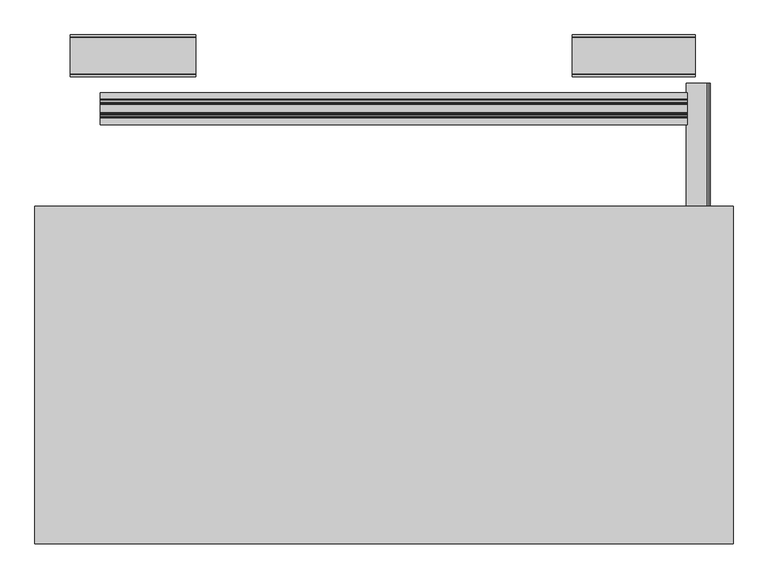
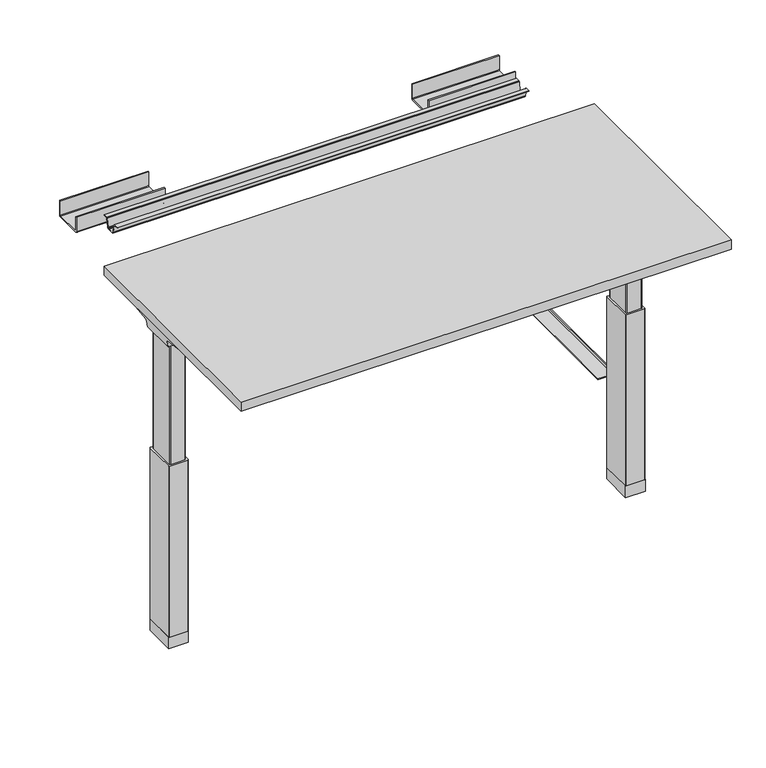
"""IFC4 building model written with IfcOpenShell, lengths in millimetres: furniture geometry."""

from ifc_helpers import new_model, si_unit, point, frame, frame_2d, origin, place, context, project, spatial, polyline, circle_curve, ellipse_curve, trimmed, segment, composite_curve, outline, extrude, source, transform, mapped, element, save
from ifc_brep_helpers import plane_surface, cylinder_surface, revolved_surface, advanced_brep


def furniture_25aa1a4e(model_context):
    return source(origin(), model_context, "Body", "SolidModel", [
        extrude(outline(composite_curve([segment(trimmed(circle_curve(frame_2d((335.5834916, 692.5019564)), 3.1749345), [point((335.5835451, 695.6768908))], [point((332.4090868, 692.443965))], True, "CARTESIAN"), True, "CONTINUOUS"), segment(polyline([(332.4090868, 692.443965), (332.4090868, 647.4824058), (329.7517063, 647.4824058), (329.7517063, 692.5017915)]), True, "CONTINUOUS"), segment(trimmed(circle_curve(frame_2d((335.5835451, 692.5017915)), 5.8318388), [point((329.7517063, 692.5017915))], [point((335.5835451, 698.3336303))], False, "CARTESIAN"), True, "CONTINUOUS"), segment(polyline([(335.5835451, 698.3336303), (335.5835451, 695.6768908)]), True, "CONTINUOUS")], self_intersect=False)), frame((0.0, 170.9160479, 0.0), z_axis=(0.0, 1.0, 0.0), x_axis=(0.0, 0.0, 1.0)), (0.0, 0.0, 1.0), 456.2850092),
        extrude(outline(polyline([(747.776, 364.3376128), (747.776, -358.8003872), (-747.776, -358.8003872), (-747.776, 364.3376128), (747.776, 364.3376128)])), frame((0.0, 0.0, 1037.209), z_axis=(0.0, 0.0, 1.0), x_axis=(1.0, 0.0, 0.0)), (0.0, 0.0, 1.0), 29.591),
        advanced_brep(
        [(-731.4406297, 162.7292702, 988.7915733), (-672.2713552, 162.7292702, 988.7915733), (-672.2713552, 160.5008169, 986.1442785), (-728.9518591, 160.5008169, 986.1442785), (-731.6625278, 162.738256, 989.0276054), (-734.0619089, 163.3822827, 1005.9443054), (-672.2713552, 163.3822827, 1005.9443054), (-734.9185362, 168.8493181, 1011.9839076), (-672.2713552, 168.8493181, 1011.9839076), (-737.4393767, 283.4205225, 1029.7569507), (-672.2713552, 283.4205225, 1029.7569507), (-737.5128152, 287.1965275, 1030.2747243), (-672.2713552, 287.1965275, 1030.2747243), (-738.1871296, 288.7067839, 1035.0289399), (-736.4021288, 286.1298888, 1037.209), (-672.2713552, 286.1298888, 1037.209), (-737.5128152, -68.7565275, 1030.2747243), (-672.2713552, -68.7565275, 1030.2747243), (-672.2713552, -67.6898888, 1037.209), (-736.4021288, -67.6898888, 1037.209), (-738.1871296, -70.2667839, 1035.0289399), (-737.4393767, -64.9805225, 1029.7569507), (-672.2713552, -64.9805225, 1029.7569507), (-734.9185362, 49.5906819, 1011.9839076), (-672.2713552, 49.5906819, 1011.9839076), (-734.0619089, 55.0577173, 1005.9443054), (-672.2713552, 55.0577173, 1005.9443054), (-731.6625278, 55.701744, 989.0276054), (-731.4406297, 55.7107298, 988.7915733), (-672.2713552, 55.7107298, 988.7915733), (-728.9518591, 57.9391831, 986.1442785), (-672.2713552, 57.9391831, 986.1442785)],
        [
            (0, 1),
            (1, 2),
            (2, 3),
            (3, 0),
            (0, 4),
            (4, 5),
            (5, 6),
            (6, 1),
            (5, 7, ellipse_curve(frame((-734.0119691, 169.8408409, 1005.5922075), z_axis=(-0.9900906714849615, 0.0, -0.1404295632637872), x_axis=(-0.1404295632637865, 0.0, 0.9900906714849615)), 6.5328852, 6.4681487)),
            (7, 8),
            (8, 6, circle_curve(frame((-672.2713552, 169.8408409, 1005.5922075), z_axis=(1.0, 0.0, 0.0), x_axis=(0.0, 1.0, 0.0)), 6.4681487)),
            (7, 9),
            (9, 10),
            (10, 8),
            (9, 11),
            (11, 12),
            (12, 10),
            (11, 13, ellipse_curve(frame((-737.9730772, 285.2194111, 1033.5197755), z_axis=(0.9900906714849615, 0.0, 0.1404295632637872), x_axis=(0.1404295632637865, 0.0, -0.9900906714849615)), 3.8379455, 3.7999141)),
            (13, 14, ellipse_curve(frame((-739.422811, 285.2194111, 1033.5197755), z_axis=(0.7737284588431889, 0.0, -0.6335173809582053), x_axis=(0.6335173809582053, 0.0, 0.7737284588431887)), 4.9111727, 3.7999141)),
            (14, 15),
            (15, 12, circle_curve(frame((-672.2713552, 285.2194111, 1033.5197755), z_axis=(-1.0, 0.0, 0.0), x_axis=(0.0, 1.0, 0.0)), 3.7999141)),
            (16, 17),
            (17, 18, circle_curve(frame((-672.2713552, -66.7794111, 1033.5197755), z_axis=(-1.0, 0.0, 0.0), x_axis=(0.0, 1.0, 0.0)), 3.7999141)),
            (18, 19),
            (19, 20, ellipse_curve(frame((-739.422811, -66.7794111, 1033.5197755), z_axis=(0.7737284588431889, 0.0, -0.6335173809582053), x_axis=(0.6335173809582053, 0.0, 0.7737284588431887)), 4.9111727, 3.7999141)),
            (20, 16, ellipse_curve(frame((-737.9730772, -66.7794111, 1033.5197755), z_axis=(0.9900906714849615, 0.0, 0.1404295632637872), x_axis=(0.1404295632637865, 0.0, -0.9900906714849615)), 3.8379455, 3.7999141)),
            (16, 21),
            (21, 22),
            (22, 17),
            (21, 23),
            (23, 24),
            (24, 22),
            (23, 25, ellipse_curve(frame((-734.0119691, 48.5991591, 1005.5922075), z_axis=(-0.9900906714849615, 0.0, -0.1404295632637872), x_axis=(-0.1404295632637865, 0.0, 0.9900906714849615)), 6.5328852, 6.4681487)),
            (25, 26),
            (26, 24, circle_curve(frame((-672.2713552, 48.5991591, 1005.5922075), z_axis=(1.0, 0.0, 0.0), x_axis=(0.0, 1.0, 0.0)), 6.4681487)),
            (25, 27),
            (27, 28),
            (28, 29),
            (29, 26),
            (28, 30),
            (30, 31),
            (31, 29),
            (4, 27),
            (20, 13),
            (19, 14),
            (18, 15),
            (2, 31),
            (30, 3),
        ],
        [
            plane_surface(frame((-754.4773962, 160.5008169, 986.1442785), z_axis=(0.0, 0.7650318638532662, -0.6439924279750482), x_axis=(1.0, 0.0, 0.0))),
            plane_surface(frame((-754.4773962, 162.7292702, 988.7915733), z_axis=(0.0, 0.999276106683639, -0.03804290487316255), x_axis=(1.0, 0.0, 0.0))),
            revolved_surface(polyline([(-734.9293793154884, 176.3089896, 1005.5922075), (-672.2713552, 176.3089896, 1005.5922075)]), (-754.4773962, 169.8408409, 1005.5922075), (-1.0, 0.0, 0.0)),
            plane_surface(frame((-754.4773962, 168.8493181, 1011.9839076), z_axis=(0.0, 0.153293135871396, -0.9881807600306302), x_axis=(1.0, 0.0, 0.0))),
            plane_surface(frame((-754.4773962, 283.4205225, 1029.7569507), z_axis=(0.0, 0.13585085469026903, -0.9907292996979162), x_axis=(1.0, 0.0, 0.0))),
            cylinder_surface(frame((-754.4773962, 285.2194111, 1033.5197755), z_axis=(1.0, 0.0, 0.0), x_axis=(0.0, 1.0, 0.0)), 3.7999141),
            cylinder_surface(frame((-754.4773962, -66.7794111, 1033.5197755), z_axis=(1.0, 0.0, 0.0), x_axis=(0.0, 1.0, 0.0)), 3.7999141),
            plane_surface(frame((-754.4773962, -68.7565275, 1030.2747243), z_axis=(0.0, -0.13585085468791205, -0.9907292996982394), x_axis=(1.0, 0.0, 0.0))),
            plane_surface(frame((-754.4773962, -64.9805225, 1029.7569507), z_axis=(0.0, -0.1532931358714066, -0.9881807600306285), x_axis=(1.0, 0.0, 0.0))),
            revolved_surface(polyline([(-734.9293793154884, 55.0673078, 1005.5922075), (-672.2713552, 55.0673078, 1005.5922075)]), (-754.4773962, 48.5991591, 1005.5922075), (-1.0, 0.0, 0.0)),
            plane_surface(frame((-754.4773962, 55.0577173, 1005.9443054), z_axis=(0.0, -0.9992761066836363, -0.03804290487323539), x_axis=(1.0, 0.0, 0.0))),
            plane_surface(frame((-754.4773962, 55.7107298, 988.7915733), z_axis=(0.0, -0.7650318638534733, -0.643992427974802), x_axis=(1.0, 0.0, 0.0))),
            plane_surface(frame((-731.6625278, 299.72, 989.0276054), z_axis=(-0.9900906714849615, 0.0, -0.1404295632637872), x_axis=(0.0, -1.0, 0.0))),
            plane_surface(frame((-738.1871296, 299.72, 1035.0289399), z_axis=(-0.7737284588431889, 0.0, 0.6335173809582053), x_axis=(0.0, -1.0, 0.0))),
            plane_surface(frame((-736.4021288, 299.72, 1037.209), z_axis=(0.0, 0.0, 1.0), x_axis=(0.0, -1.0, 0.0))),
            plane_surface(frame((-672.2713552, 299.72, 986.1442785), z_axis=(0.0, 0.0, -1.0), x_axis=(0.0, -1.0, 0.0))),
            plane_surface(frame((-728.9518591, 299.72, 986.1442785), z_axis=(-0.7285846064197553, 0.0, -0.6849558170336029), x_axis=(0.0, -1.0, 0.0))),
            plane_surface(frame((-672.2713552, 299.72, 1037.209), z_axis=(1.0, 0.0, 0.0), x_axis=(0.0, -1.0, 0.0))),
        ],
        [
            (0, [[1, 2, 3, 4]]),
            (1, [[-1, 5, 6, 7, 8]]),
            (2, [[-7, 9, 10, 11]]),
            (3, [[-10, 12, 13, 14]]),
            (4, [[-13, 15, 16, 17]]),
            (5, [[-16, 18, 19, 20, 21]]),
            (6, [[22, 23, 24, 25, 26]]),
            (7, [[-22, 27, 28, 29]]),
            (8, [[-28, 30, 31, 32]]),
            (9, [[-31, 33, 34, 35]]),
            (10, [[-34, 36, 37, 38, 39]]),
            (11, [[-38, 40, 41, 42]]),
            (12, [[43, -36, -33, -30, -27, -26, 44, -18, -15, -12, -9, -6]]),
            (13, [[-44, -25, 45, -19]]),
            (14, [[-45, -24, 46, -20]]),
            (15, [[47, -41, 48, -3]]),
            (16, [[-43, -5, -4, -48, -40, -37]]),
            (17, [[-47, -2, -8, -11, -14, -17, -21, -46, -23, -29, -32, -35, -39, -42]]),
        ],
    ),
        advanced_brep(
        [(672.2624028, 162.7292702, 988.7915733), (731.4406297, 162.7292702, 988.7915733), (728.9518591, 160.5008169, 986.1442785), (672.2624028, 160.5008169, 986.1442785), (672.2624028, 163.3822827, 1005.9443054), (734.0619089, 163.3822827, 1005.9443054), (731.6625278, 162.738256, 989.0276054), (672.2624028, 168.8493181, 1011.9839076), (734.9185362, 168.8493181, 1011.9839076), (672.2624028, 283.4205225, 1029.7569507), (737.4393767, 283.4205225, 1029.7569507), (672.2624028, 287.1965275, 1030.2747243), (737.5128152, 287.1965275, 1030.2747243), (672.2624028, 286.1298888, 1037.209), (736.4021288, 286.1298888, 1037.209), (738.1871296, 288.7067839, 1035.0289399), (672.2624028, -68.7565275, 1030.2747243), (737.5128152, -68.7565275, 1030.2747243), (738.1871296, -70.2667839, 1035.0289399), (736.4021288, -67.6898888, 1037.209), (672.2624028, -67.6898888, 1037.209), (672.2624028, -64.9805225, 1029.7569507), (737.4393767, -64.9805225, 1029.7569507), (672.2624028, 49.5906819, 1011.9839076), (734.9185362, 49.5906819, 1011.9839076), (672.2624028, 55.0577173, 1005.9443054), (734.0619089, 55.0577173, 1005.9443054), (672.2624028, 55.7107298, 988.7915733), (731.4406297, 55.7107298, 988.7915733), (731.6625278, 55.701744, 989.0276054), (672.2624028, 57.9391831, 986.1442785), (728.9518591, 57.9391831, 986.1442785)],
        [
            (0, 1),
            (1, 2),
            (2, 3),
            (3, 0),
            (0, 4),
            (4, 5),
            (5, 6),
            (6, 1),
            (4, 7, circle_curve(frame((672.2624028, 169.8408409, 1005.5922075), z_axis=(-1.0, 0.0, 0.0), x_axis=(0.0, 1.0, 0.0)), 6.4681487)),
            (7, 8),
            (8, 5, ellipse_curve(frame((734.0119691, 169.8408409, 1005.5922075), z_axis=(0.9900906714849659, 0.0, -0.1404295632637567), x_axis=(-0.1404295632637562, 0.0, -0.9900906714849659)), 6.5328852, 6.4681487)),
            (7, 9),
            (9, 10),
            (10, 8),
            (9, 11),
            (11, 12),
            (12, 10),
            (11, 13, circle_curve(frame((672.2624028, 285.2194111, 1033.5197755), z_axis=(1.0, 0.0, 0.0), x_axis=(0.0, 1.0, 0.0)), 3.7999141)),
            (13, 14),
            (14, 15, ellipse_curve(frame((739.422811, 285.2194111, 1033.5197755), z_axis=(-0.7737284588399557, 0.0, -0.633517380962154), x_axis=(0.6335173809621538, 0.0, -0.7737284588399556)), 4.9111727, 3.7999141)),
            (15, 12, ellipse_curve(frame((737.9730772, 285.2194111, 1033.5197755), z_axis=(-0.9900906714849659, 0.0, 0.1404295632637567), x_axis=(0.1404295632637562, 0.0, 0.9900906714849659)), 3.8379455, 3.7999141)),
            (16, 17),
            (17, 18, ellipse_curve(frame((737.9730772, -66.7794111, 1033.5197755), z_axis=(-0.9900906714849659, 0.0, 0.1404295632637567), x_axis=(0.1404295632637562, 0.0, 0.9900906714849659)), 3.8379455, 3.7999141)),
            (18, 19, ellipse_curve(frame((739.422811, -66.7794111, 1033.5197755), z_axis=(-0.7737284588399557, 0.0, -0.633517380962154), x_axis=(0.6335173809621538, 0.0, -0.7737284588399556)), 4.9111727, 3.7999141)),
            (19, 20),
            (20, 16, circle_curve(frame((672.2624028, -66.7794111, 1033.5197755), z_axis=(1.0, 0.0, 0.0), x_axis=(0.0, 1.0, 0.0)), 3.7999141)),
            (16, 21),
            (21, 22),
            (22, 17),
            (21, 23),
            (23, 24),
            (24, 22),
            (23, 25, circle_curve(frame((672.2624028, 48.5991591, 1005.5922075), z_axis=(-1.0, 0.0, 0.0), x_axis=(0.0, 1.0, 0.0)), 6.4681487)),
            (25, 26),
            (26, 24, ellipse_curve(frame((734.0119691, 48.5991591, 1005.5922075), z_axis=(0.9900906714849659, 0.0, -0.1404295632637567), x_axis=(-0.1404295632637562, 0.0, -0.9900906714849659)), 6.5328852, 6.4681487)),
            (25, 27),
            (27, 28),
            (28, 29),
            (29, 26),
            (27, 30),
            (30, 31),
            (31, 28),
            (29, 6),
            (15, 18),
            (14, 19),
            (13, 20),
            (30, 3),
            (2, 31),
        ],
        [
            plane_surface(frame((551.4619573, 160.5008169, 986.1442785), z_axis=(0.0, 0.7650318638532565, -0.6439924279750596), x_axis=(1.0, 0.0, 0.0))),
            plane_surface(frame((551.4619573, 162.7292702, 988.7915733), z_axis=(0.0, 0.9992761066836392, -0.03804290487315862), x_axis=(1.0, 0.0, 0.0))),
            revolved_surface(polyline([(672.2624028, 176.3089896, 1005.5922075), (734.9293793154882, 176.3089896, 1005.5922075)]), (551.4619573, 169.8408409, 1005.5922075), (-1.0, 0.0, 0.0)),
            plane_surface(frame((551.4619573, 168.8493181, 1011.9839076), z_axis=(0.0, 0.15329313587140309, -0.988180760030629), x_axis=(1.0, 0.0, 0.0))),
            plane_surface(frame((551.4619573, 283.4205225, 1029.7569507), z_axis=(0.0, 0.1358508546900816, -0.9907292996979419), x_axis=(1.0, 0.0, 0.0))),
            cylinder_surface(frame((551.4619573, 285.2194111, 1033.5197755), z_axis=(1.0, 0.0, 0.0), x_axis=(0.0, 1.0, 0.0)), 3.7999141),
            cylinder_surface(frame((551.4619573, -66.7794111, 1033.5197755), z_axis=(1.0, 0.0, 0.0), x_axis=(0.0, 1.0, 0.0)), 3.7999141),
            plane_surface(frame((551.4619573, -68.7565275, 1030.2747243), z_axis=(0.0, -0.1358508546877776, -0.9907292996982578), x_axis=(1.0, 0.0, 0.0))),
            plane_surface(frame((551.4619573, -64.9805225, 1029.7569507), z_axis=(0.0, -0.15329313587141113, -0.9881807600306277), x_axis=(1.0, 0.0, 0.0))),
            revolved_surface(polyline([(672.2624028, 55.0673078, 1005.5922075), (734.9293793154882, 55.0673078, 1005.5922075)]), (551.4619573, 48.5991591, 1005.5922075), (-1.0, 0.0, 0.0)),
            plane_surface(frame((551.4619573, 55.0577173, 1005.9443054), z_axis=(0.0, -0.9992761066836363, -0.03804290487323539), x_axis=(1.0, 0.0, 0.0))),
            plane_surface(frame((551.4619573, 55.7107298, 988.7915733), z_axis=(0.0, -0.7650318638534733, -0.643992427974802), x_axis=(1.0, 0.0, 0.0))),
            plane_surface(frame((731.6625278, -81.28, 989.0276054), z_axis=(0.9900906714849659, 0.0, -0.1404295632637567), x_axis=(0.0, 1.0, 0.0))),
            plane_surface(frame((738.1871296, -81.28, 1035.0289399), z_axis=(0.7737284588399557, 0.0, 0.633517380962154), x_axis=(0.0, 1.0, 0.0))),
            plane_surface(frame((736.4021288, -81.28, 1037.209), z_axis=(0.0, 0.0, 1.0), x_axis=(0.0, 1.0, 0.0))),
            plane_surface(frame((672.2624028, -81.28, 986.1442785), z_axis=(0.0, 0.0, -1.0), x_axis=(0.0, 1.0, 0.0))),
            plane_surface(frame((728.9518591, -81.28, 986.1442785), z_axis=(0.7285846064222696, 0.0, -0.6849558170309284), x_axis=(0.0, 1.0, 0.0))),
            plane_surface(frame((672.2624028, -81.28, 1037.209), z_axis=(-1.0, 0.0, 0.0), x_axis=(0.0, 1.0, 0.0))),
        ],
        [
            (0, [[1, 2, 3, 4]]),
            (1, [[-1, 5, 6, 7, 8]]),
            (2, [[-6, 9, 10, 11]]),
            (3, [[-10, 12, 13, 14]]),
            (4, [[-13, 15, 16, 17]]),
            (5, [[-16, 18, 19, 20, 21]]),
            (6, [[22, 23, 24, 25, 26]]),
            (7, [[-22, 27, 28, 29]]),
            (8, [[-28, 30, 31, 32]]),
            (9, [[-31, 33, 34, 35]]),
            (10, [[-34, 36, 37, 38, 39]]),
            (11, [[-37, 40, 41, 42]]),
            (12, [[43, -7, -11, -14, -17, -21, 44, -23, -29, -32, -35, -39]]),
            (13, [[-44, -20, 45, -24]]),
            (14, [[-45, -19, 46, -25]]),
            (15, [[47, -3, 48, -41]]),
            (16, [[-43, -38, -42, -48, -2, -8]]),
            (17, [[-47, -40, -36, -33, -30, -27, -26, -46, -18, -15, -12, -9, -5, -4]]),
        ],
    ),
        advanced_brep(
        [(675.0283088, 153.9682497, 986.1442785), (672.2624028, 151.6150111, 986.1442785), (672.2624028, 66.8413858, 986.1442785), (675.3159671, 64.491987, 986.1442785), (718.6299922, 64.4717503, 986.1442785), (721.6895972, 66.8414936, 986.1442785), (721.6895972, 151.6150956, 986.1442785), (718.9236912, 153.9682497, 986.1442785), (675.0283088, 153.9682497, 599.0990058), (718.9236912, 153.9682497, 599.0990058), (721.6895972, 151.6150956, 599.0990058), (721.6895972, 66.8414936, 599.0990058), (718.6360098, 64.4919923, 599.0990058), (675.3220078, 64.4717503, 599.0990058), (672.2624028, 66.8413858, 599.0990058), (672.2624028, 151.6150111, 599.0990058)],
        [
            (0, 1, circle_curve(frame((675.3300788, 150.8114719, 986.1442785), z_axis=(0.0, 0.0, 1.0), x_axis=(1.0, 0.0, 0.0)), 3.1711688)),
            (1, 2),
            (2, 3, circle_curve(frame((675.3159671, 67.651078, 986.1442785), z_axis=(0.0, 0.0, 1.0), x_axis=(1.0, 0.0, 0.0)), 3.1590911)),
            (3, 4),
            (4, 5, circle_curve(frame((718.6360098, 67.651078, 986.1442785), z_axis=(0.0, 0.0, 1.0), x_axis=(1.0, 0.0, 0.0)), 3.1590858)),
            (5, 6),
            (6, 7, circle_curve(frame((718.6219439, 150.8114698, 986.1442785), z_axis=(0.0, 0.0, 1.0), x_axis=(1.0, 0.0, 0.0)), 3.1711687)),
            (7, 0),
            (8, 9),
            (9, 10, circle_curve(frame((718.6219439, 150.8114698, 599.0990058), z_axis=(0.0, 0.0, -1.0), x_axis=(1.0, 0.0, 0.0)), 3.1711687)),
            (10, 11),
            (11, 12, circle_curve(frame((718.6360098, 67.651078, 599.0990058), z_axis=(0.0, 0.0, -1.0), x_axis=(1.0, 0.0, 0.0)), 3.1590858)),
            (12, 13),
            (13, 14, circle_curve(frame((675.3159671, 67.651078, 599.0990058), z_axis=(0.0, 0.0, -1.0), x_axis=(1.0, 0.0, 0.0)), 3.1590911)),
            (14, 15),
            (15, 8, circle_curve(frame((675.3300788, 150.8114719, 599.0990058), z_axis=(0.0, 0.0, -1.0), x_axis=(1.0, 0.0, 0.0)), 3.1711688)),
            (7, 9),
            (8, 0),
            (6, 10),
            (5, 11),
            (4, 12),
            (3, 13),
            (2, 14),
            (1, 15),
        ],
        [
            plane_surface(frame((678.5012476, 150.8114719, 986.1442785), z_axis=(0.0, 0.0, 1.0), x_axis=(0.0, 1.0, 0.0))),
            plane_surface(frame((678.5012476, 150.8114719, 599.0990058), z_axis=(0.0, 0.0, -1.0), x_axis=(0.0, -1.0, 0.0))),
            plane_surface(frame((718.9236912, 153.9682497, 986.1442785), z_axis=(-1.7222235544343872e-12, 1.0, 0.0), x_axis=(0.0, 0.0, -1.0))),
            cylinder_surface(frame((718.6219439, 150.8114698, 599.0990058), z_axis=(0.0, 0.0, 1.0), x_axis=(1.0, 0.0, 0.0)), 3.1711687),
            plane_surface(frame((721.6895972, 66.8414936, 986.1442785), z_axis=(1.0, 0.0, 0.0), x_axis=(0.0, 0.0, -1.0))),
            cylinder_surface(frame((718.6360098, 67.651078, 599.0990058), z_axis=(0.0, 0.0, 1.0), x_axis=(1.0, 0.0, 0.0)), 3.1590858),
            plane_surface(frame((675.3220078, 64.4717503, 986.1442785), z_axis=(0.0, -1.0, 0.0), x_axis=(0.0, 0.0, -1.0))),
            cylinder_surface(frame((675.3159671, 67.651078, 599.0990058), z_axis=(0.0, 0.0, 1.0), x_axis=(1.0, 0.0, 0.0)), 3.1590911),
            plane_surface(frame((672.2624028, 151.6150111, 986.1442785), z_axis=(-1.0, 0.0, 0.0), x_axis=(0.0, 0.0, -1.0))),
            cylinder_surface(frame((675.3300788, 150.8114719, 599.0990058), z_axis=(0.0, 0.0, 1.0), x_axis=(1.0, 0.0, 0.0)), 3.1711688),
        ],
        [
            (0, [[1, 2, 3, 4, 5, 6, 7, 8]]),
            (1, [[9, 10, 11, 12, 13, 14, 15, 16]]),
            (2, [[-8, 17, -9, 18]]),
            (3, [[-7, 19, -10, -17]]),
            (4, [[-6, 20, -11, -19]]),
            (5, [[-5, 21, -12, -20]]),
            (6, [[-4, 22, -13, -21]]),
            (7, [[-3, 23, -14, -22]]),
            (8, [[-2, 24, -15, -23]]),
            (9, [[-1, -18, -16, -24]]),
        ],
    ),
        advanced_brep(
        [(-675.0283088, 153.9682497, 986.1442785), (-718.9236912, 153.9682497, 986.1442785), (-721.6806448, 151.6485241, 986.1442785), (-721.6806448, 66.8084508, 986.1442785), (-718.6360098, 64.4919923, 986.1442785), (-675.3220078, 64.4717503, 986.1442785), (-672.2713552, 66.8083475, 986.1442785), (-672.2713552, 151.6484433, 986.1442785), (-675.0283088, 153.9682497, 599.0990058), (-672.2713552, 151.6484433, 599.0990058), (-672.2713552, 66.8083475, 599.0990058), (-675.3159671, 64.491987, 599.0990058), (-718.6299922, 64.4717503, 599.0990058), (-721.6806448, 66.8084508, 599.0990058), (-721.6806448, 151.6485241, 599.0990058), (-718.9236912, 153.9682497, 599.0990058)],
        [
            (0, 1),
            (1, 2, circle_curve(frame((-718.6219439, 150.8114698, 986.1442785), z_axis=(0.0, 0.0, 1.0), x_axis=(-1.0, 0.0, 0.0)), 3.1711687)),
            (2, 3),
            (3, 4, circle_curve(frame((-718.6360098, 67.651078, 986.1442785), z_axis=(0.0, 0.0, 1.0), x_axis=(-1.0, 0.0, 0.0)), 3.1590858)),
            (4, 5),
            (5, 6, circle_curve(frame((-675.3159671, 67.6510781, 986.1442785), z_axis=(0.0, 0.0, 1.0), x_axis=(-1.0, 0.0, 0.0)), 3.1590911)),
            (6, 7),
            (7, 0, circle_curve(frame((-675.3300788, 150.8114719, 986.1442785), z_axis=(0.0, 0.0, 1.0), x_axis=(-1.0, 0.0, 0.0)), 3.1711688)),
            (8, 9, circle_curve(frame((-675.3300788, 150.8114719, 599.0990058), z_axis=(0.0, 0.0, -1.0), x_axis=(-1.0, 0.0, 0.0)), 3.1711688)),
            (9, 10),
            (10, 11, circle_curve(frame((-675.3159671, 67.6510781, 599.0990058), z_axis=(0.0, 0.0, -1.0), x_axis=(-1.0, 0.0, 0.0)), 3.1590911)),
            (11, 12),
            (12, 13, circle_curve(frame((-718.6360098, 67.651078, 599.0990058), z_axis=(0.0, 0.0, -1.0), x_axis=(-1.0, 0.0, 0.0)), 3.1590858)),
            (13, 14),
            (14, 15, circle_curve(frame((-718.6219439, 150.8114698, 599.0990058), z_axis=(0.0, 0.0, -1.0), x_axis=(-1.0, 0.0, 0.0)), 3.1711687)),
            (15, 8),
            (0, 8),
            (15, 1),
            (14, 2),
            (13, 3),
            (12, 4),
            (11, 5),
            (10, 6),
            (9, 7),
        ],
        [
            plane_surface(frame((-718.9236912, 153.9682497, 986.1442785), z_axis=(0.0, 0.0, 1.0), x_axis=(-1.0, 0.0, 0.0))),
            plane_surface(frame((-718.9236912, 153.9682497, 599.0990058), z_axis=(0.0, 0.0, -1.0), x_axis=(1.0, 0.0, 0.0))),
            plane_surface(frame((-675.0283088, 153.9682497, 986.1442785), z_axis=(0.0, 1.0, 0.0), x_axis=(0.0, 0.0, -1.0))),
            cylinder_surface(frame((-718.6219439, 150.8114698, 599.0990058), z_axis=(0.0, 0.0, 1.0), x_axis=(-1.0, 0.0, 0.0)), 3.1711687),
            plane_surface(frame((-721.6806448, 151.6485241, 986.1442785), z_axis=(-1.0, 0.0, 0.0), x_axis=(0.0, 0.0, -1.0))),
            cylinder_surface(frame((-718.6360098, 67.651078, 599.0990058), z_axis=(0.0, 0.0, 1.0), x_axis=(-1.0, 0.0, 0.0)), 3.1590858),
            plane_surface(frame((-718.6299922, 64.4717503, 986.1442785), z_axis=(0.0, -1.0, 0.0), x_axis=(0.0, 0.0, -1.0))),
            cylinder_surface(frame((-675.3159671, 67.6510781, 599.0990058), z_axis=(0.0, 0.0, 1.0), x_axis=(-1.0, 0.0, 0.0)), 3.1590911),
            plane_surface(frame((-672.2713552, 66.8083475, 986.1442785), z_axis=(1.0, 0.0, 0.0), x_axis=(0.0, 0.0, -1.0))),
            cylinder_surface(frame((-675.3300788, 150.8114719, 599.0990058), z_axis=(0.0, 0.0, 1.0), x_axis=(-1.0, 0.0, 0.0)), 3.1711688),
        ],
        [
            (0, [[1, 2, 3, 4, 5, 6, 7, 8]]),
            (1, [[9, 10, 11, 12, 13, 14, 15, 16]]),
            (2, [[-1, 17, -16, 18]]),
            (3, [[-2, -18, -15, 19]]),
            (4, [[-3, -19, -14, 20]]),
            (5, [[-4, -20, -13, 21]]),
            (6, [[-5, -21, -12, 22]]),
            (7, [[-6, -22, -11, 23]]),
            (8, [[-7, -23, -10, 24]]),
            (9, [[-8, -24, -9, -17]]),
        ],
    ),
        extrude(outline(composite_curve([segment(trimmed(circle_curve(frame_2d((-669.316092, 156.945908)), 2.248592), [point((-669.316092, 159.1945))], [point((-667.0675, 156.945908))], False, "CARTESIAN"), True, "CONTINUOUS"), segment(polyline([(-667.0675, 156.945908), (-667.0675, 61.4941469)]), True, "CONTINUOUS"), segment(trimmed(circle_curve(frame_2d((-669.3161469, 61.4941469)), 2.2486469), [point((-667.0675, 61.4941469))], [point((-669.3161469, 59.2455))], False, "CARTESIAN"), True, "CONTINUOUS"), segment(polyline([(-669.3161469, 59.2455), (-724.635908, 59.2455)]), True, "CONTINUOUS"), segment(trimmed(circle_curve(frame_2d((-724.635908, 61.494092)), 2.248592), [point((-724.635908, 59.2455))], [point((-726.8845, 61.494092))], False, "CARTESIAN"), True, "CONTINUOUS"), segment(polyline([(-726.8845, 61.494092), (-726.8845, 156.945908)]), True, "CONTINUOUS"), segment(trimmed(circle_curve(frame_2d((-724.635908, 156.945908)), 2.248592), [point((-726.8845, 156.945908))], [point((-724.635908, 159.1945))], False, "CARTESIAN"), True, "CONTINUOUS"), segment(polyline([(-724.635908, 159.1945), (-669.316092, 159.1945)]), True, "CONTINUOUS")], self_intersect=False)), frame((0.0, 0.0, 48.1000573), z_axis=(0.0, 0.0, 1.0), x_axis=(1.0, 0.0, 0.0)), (0.0, 0.0, 1.0), 550.9989485),
        extrude(outline(composite_curve([segment(trimmed(circle_curve(frame_2d((724.5521079, 156.8621079)), 2.3323921), [point((724.5521079, 159.1945))], [point((726.8845, 156.8621079))], False, "CARTESIAN"), True, "CONTINUOUS"), segment(polyline([(726.8845, 156.8621079), (726.8845, 61.5778921)]), True, "CONTINUOUS"), segment(trimmed(circle_curve(frame_2d((724.5521079, 61.5778921)), 2.3323921), [point((726.8845, 61.5778921))], [point((724.5521079, 59.2455))], False, "CARTESIAN"), True, "CONTINUOUS"), segment(polyline([(724.5521079, 59.2455), (669.3998921, 59.2455)]), True, "CONTINUOUS"), segment(trimmed(circle_curve(frame_2d((669.3998921, 61.5778921)), 2.3323921), [point((669.3998921, 59.2455))], [point((667.0675, 61.5778921))], False, "CARTESIAN"), True, "CONTINUOUS"), segment(polyline([(667.0675, 61.5778921), (667.0675, 156.8621079)]), True, "CONTINUOUS"), segment(trimmed(circle_curve(frame_2d((669.3998921, 156.8621079)), 2.3323921), [point((667.0675, 156.8621079))], [point((669.3998921, 159.1945))], False, "CARTESIAN"), True, "CONTINUOUS"), segment(polyline([(669.3998921, 159.1945), (724.5521079, 159.1945)]), True, "CONTINUOUS")], self_intersect=False)), frame((0.0, 0.0, 48.1000573), z_axis=(0.0, 0.0, 1.0), x_axis=(1.0, 0.0, 0.0)), (0.0, 0.0, 1.0), 550.9989485),
        extrude(outline(composite_curve([segment(polyline([(149.4799723, 984.9075396), (149.4799723, 1030.4529696), (153.6599861, 1030.4529696), (153.6599861, 984.4981642)]), True, "CONTINUOUS"), segment(trimmed(circle_curve(frame_2d((148.4147916, 984.4981642)), 5.2451944), [point((153.6599861, 984.4981642))], [point((148.4147916, 979.2529697))], False, "CARTESIAN"), True, "CONTINUOUS"), segment(polyline([(148.4147916, 979.2529697), (69.5236332, 979.2529697)]), True, "CONTINUOUS"), segment(trimmed(circle_curve(frame_2d((69.5236332, 985.1166103)), 5.8636406), [point((69.5236332, 979.2529697))], [point((63.6599926, 985.1166103))], False, "CARTESIAN"), True, "CONTINUOUS"), segment(polyline([(63.6599926, 985.1166103), (63.6599926, 1030.4529696), (67.8399701, 1030.4529696), (67.8399701, 985.41679)]), True, "CONTINUOUS"), segment(trimmed(circle_curve(frame_2d((69.8238129, 985.41679)), 1.9838428), [point((67.8399701, 985.41679))], [point((69.8238129, 983.4329472))], True, "CARTESIAN"), True, "CONTINUOUS"), segment(polyline([(69.8238129, 983.4329472), (148.0053799, 983.4329472)]), True, "CONTINUOUS"), segment(trimmed(circle_curve(frame_2d((148.0053799, 984.9075396)), 1.4745924), [point((148.0053799, 983.4329472))], [point((149.4799723, 984.9075396))], True, "CARTESIAN"), True, "CONTINUOUS")], self_intersect=False)), frame((402.7842929, 0.0, 0.0), z_axis=(1.0, 0.0, 0.0), x_axis=(0.0, 1.0, 0.0)), (0.0, 0.0, 1.0), 269.4870623),
        extrude(outline(composite_curve([segment(polyline([(149.2815348, 984.9075396), (149.2815348, 1030.4529696), (153.4615486, 1030.4529696), (153.4615486, 984.4981642)]), True, "CONTINUOUS"), segment(trimmed(circle_curve(frame_2d((148.2163541, 984.4981642)), 5.2451944), [point((153.4615486, 984.4981642))], [point((148.2163541, 979.2529697))], False, "CARTESIAN"), True, "CONTINUOUS"), segment(polyline([(148.2163541, 979.2529697), (69.3251957, 979.2529697)]), True, "CONTINUOUS"), segment(trimmed(circle_curve(frame_2d((69.3251957, 985.1166103)), 5.8636406), [point((69.3251957, 979.2529697))], [point((63.4615551, 985.1166103))], False, "CARTESIAN"), True, "CONTINUOUS"), segment(polyline([(63.4615551, 985.1166103), (63.4615551, 1030.4529696), (67.6415326, 1030.4529696), (67.6415326, 985.41679)]), True, "CONTINUOUS"), segment(trimmed(circle_curve(frame_2d((69.6253754, 985.41679)), 1.9838428), [point((67.6415326, 985.41679))], [point((69.6253754, 983.4329472))], True, "CARTESIAN"), True, "CONTINUOUS"), segment(polyline([(69.6253754, 983.4329472), (147.8069424, 983.4329472)]), True, "CONTINUOUS"), segment(trimmed(circle_curve(frame_2d((147.8069424, 984.9075396)), 1.4745924), [point((147.8069424, 983.4329472))], [point((149.2815348, 984.9075396))], True, "CARTESIAN"), True, "CONTINUOUS")], self_intersect=False)), frame((-672.2624028, 0.0, 0.0), z_axis=(1.0, 0.0, 0.0), x_axis=(0.0, 1.0, 0.0)), (0.0, 0.0, 1.0), 269.4781099),
        extrude(outline(composite_curve([segment(trimmed(circle_curve(frame_2d((646.6971201, 984.9075396)), 1.4745924), [point((645.2225277, 984.9075396))], [point((646.6971201, 983.4329472))], True, "CARTESIAN"), True, "CONTINUOUS"), segment(polyline([(646.6971201, 983.4329472), (724.8786871, 983.4329472)]), True, "CONTINUOUS"), segment(trimmed(circle_curve(frame_2d((724.8786871, 985.41679)), 1.9838428), [point((724.8786871, 983.4329472))], [point((726.8625299, 985.41679))], True, "CARTESIAN"), True, "CONTINUOUS"), segment(polyline([(726.8625299, 985.41679), (726.8625299, 1030.4529696), (731.0425074, 1030.4529696), (731.0425074, 985.1166103)]), True, "CONTINUOUS"), segment(trimmed(circle_curve(frame_2d((725.1788668, 985.1166103)), 5.8636406), [point((731.0425074, 985.1166103))], [point((725.1788668, 979.2529697))], False, "CARTESIAN"), True, "CONTINUOUS"), segment(polyline([(725.1788668, 979.2529697), (646.2877084, 979.2529697)]), True, "CONTINUOUS"), segment(trimmed(circle_curve(frame_2d((646.2877084, 984.4981642)), 5.2451944), [point((646.2877084, 979.2529697))], [point((641.0425139, 984.4981642))], False, "CARTESIAN"), True, "CONTINUOUS"), segment(polyline([(641.0425139, 984.4981642), (641.0425139, 1030.4529696), (645.2225277, 1030.4529696), (645.2225277, 984.9075396)]), True, "CONTINUOUS")], self_intersect=False)), frame((402.7842929, 0.0, 0.0), z_axis=(1.0, 0.0, 0.0), x_axis=(0.0, 1.0, 0.0)), (0.0, 0.0, 1.0), 264.2832071),
        extrude(outline(composite_curve([segment(trimmed(circle_curve(frame_2d((646.6971201, 984.9075396)), 1.4745924), [point((645.2225277, 984.9075396))], [point((646.6971201, 983.4329472))], True, "CARTESIAN"), True, "CONTINUOUS"), segment(polyline([(646.6971201, 983.4329472), (724.8786871, 983.4329472)]), True, "CONTINUOUS"), segment(trimmed(circle_curve(frame_2d((724.8786871, 985.41679)), 1.9838428), [point((724.8786871, 983.4329472))], [point((726.8625299, 985.41679))], True, "CARTESIAN"), True, "CONTINUOUS"), segment(polyline([(726.8625299, 985.41679), (726.8625299, 1030.4529696), (731.0425074, 1030.4529696), (731.0425074, 985.1166103)]), True, "CONTINUOUS"), segment(trimmed(circle_curve(frame_2d((725.1788668, 985.1166103)), 5.8636406), [point((731.0425074, 985.1166103))], [point((725.1788668, 979.2529697))], False, "CARTESIAN"), True, "CONTINUOUS"), segment(polyline([(725.1788668, 979.2529697), (646.2877084, 979.2529697)]), True, "CONTINUOUS"), segment(trimmed(circle_curve(frame_2d((646.2877084, 984.4981642)), 5.2451944), [point((646.2877084, 979.2529697))], [point((641.0425139, 984.4981642))], False, "CARTESIAN"), True, "CONTINUOUS"), segment(polyline([(641.0425139, 984.4981642), (641.0425139, 1030.4529696), (645.2225277, 1030.4529696), (645.2225277, 984.9075396)]), True, "CONTINUOUS")], self_intersect=False)), frame((-672.2624028, 0.0, 0.0), z_axis=(1.0, 0.0, 0.0), x_axis=(0.0, 1.0, 0.0)), (0.0, 0.0, 1.0), 269.4781099),
        extrude(outline(polyline([(587.7828122, 1009.1179831), (587.0299512, 1007.0433277), (585.6124505, 1005.3516432), (583.701557, 1004.2473501), (581.5281068, 1003.863798), (564.7567104, 1003.863798), (562.5832239, 1004.2473501), (560.6723304, 1005.3516432), (559.2548297, 1007.0433277), (558.5019687, 1009.1179831), (554.0439922, 1034.5630142), (553.6099344, 1035.3162386), (552.7930512, 1035.6138222), (545.3294079, 1035.6138222), (538.9793958, 1035.6138222), (538.9793958, 1036.8279196), (552.7930512, 1036.8279196), (554.3908461, 1036.2459057), (555.2399222, 1034.7725218), (559.6978623, 1009.3274906), (560.3068004, 1007.6495407), (561.4532784, 1006.2813103), (562.9988236, 1005.3881235), (564.7567104, 1005.077968), (581.5281068, 1005.077968), (583.2859937, 1005.3881235), (584.8315389, 1006.2813103), (585.9780169, 1007.6495407), (586.5869187, 1009.3274906), (591.0448951, 1034.7725218), (591.8939348, 1036.2459057), (593.4917298, 1036.8279196), (607.3053851, 1036.8279196), (607.3053851, 1035.6138222), (605.4455423, 1035.6138222), (600.9554094, 1035.6138222), (593.4917298, 1035.6138222), (592.6748828, 1035.3162386), (592.2407887, 1034.5630142), (587.7828122, 1009.1179831)])), frame((-608.106967, 0.0, 0.0), z_axis=(1.0, 0.0, 0.0), x_axis=(0.0, 1.0, 0.0)), (0.0, 0.0, 1.0), 1257.8206908),
        extrude(outline(polyline([(-17.8501504, 1009.1179831), (-22.3081268, 1034.5630142), (-22.7422209, 1035.3162386), (-23.5590679, 1035.6138222), (-31.0227475, 1035.6138222), (-35.5128804, 1035.6138222), (-37.3727233, 1035.6138222), (-37.3727233, 1036.8279196), (-23.5590679, 1036.8279196), (-21.961273, 1036.2459057), (-21.1122332, 1034.7725218), (-16.6542568, 1009.3274906), (-16.045355, 1007.6495407), (-14.898877, 1006.2813103), (-13.3533318, 1005.3881235), (-11.5954449, 1005.077968), (5.1759514, 1005.077968), (6.9338383, 1005.3881235), (8.4793835, 1006.2813103), (9.6258615, 1007.6495407), (10.2347996, 1009.3274906), (14.6927397, 1034.7725218), (15.5418158, 1036.2459057), (17.1396107, 1036.8279196), (30.9532661, 1036.8279196), (30.9532661, 1035.6138222), (24.603254, 1035.6138222), (17.1396107, 1035.6138222), (16.3227274, 1035.3162386), (15.8886696, 1034.5630142), (11.4306932, 1009.1179831), (10.6778322, 1007.0433277), (9.2603315, 1005.3516432), (7.3494379, 1004.2473501), (5.1759514, 1003.863798), (-11.5954449, 1003.863798), (-13.7688951, 1004.2473501), (-15.6797886, 1005.3516432), (-17.0972893, 1007.0433277), (-17.8501504, 1009.1179831)])), frame((-649.7066, 0.0, 0.0), z_axis=(1.0, 0.0, 0.0), x_axis=(0.0, 1.0, 0.0)), (0.0, 0.0, 1.0), 1299.4203238),
        advanced_brep(
        [(696.976, 127.2221653, 10.2361894), (696.976, 141.2419153, 10.2361894), (696.976, 140.8547401, 8.7946116), (696.976, 127.6093405, 8.7946116), (696.976, 134.2320403, 10.2361894), (696.976, 113.2751519, 0.0), (696.976, 155.1889286, 0.0), (696.976, 134.2320403, 0.0), (696.976, 111.7314216, 1.5436985), (696.976, 156.732659, 1.5436985), (696.976, 111.7314763, 4.1072626), (696.976, 156.7326043, 4.1072626), (696.976, 113.2713167, 5.9174378), (696.976, 155.1927639, 5.9174378)],
        [
            (0, 1, circle_curve(frame((696.976, 134.2320403, 10.2361894), z_axis=(0.0, 0.0, -1.0), x_axis=(0.0, 1.0, 0.0)), 7.009875)),
            (1, 2),
            (2, 3, circle_curve(frame((696.976, 134.2320403, 8.7946116), z_axis=(0.0, 0.0, 1.0), x_axis=(0.0, 1.0, 0.0)), 6.6226998)),
            (3, 0),
            (1, 0, circle_curve(frame((696.976, 134.2320403, 10.2361894), z_axis=(0.0, 0.0, -1.0), x_axis=(0.0, 1.0, 0.0)), 7.009875)),
            (3, 2, circle_curve(frame((696.976, 134.2320403, 8.7946116), z_axis=(0.0, 0.0, 1.0), x_axis=(0.0, 1.0, 0.0)), 6.6226998)),
            (4, 1),
            (0, 4),
            (5, 6, circle_curve(frame((696.976, 134.2320403, 0.0), z_axis=(0.0, 0.0, -1.0), x_axis=(0.0, 1.0, 0.0)), 20.9568884)),
            (6, 7),
            (7, 5),
            (6, 5, circle_curve(frame((696.976, 134.2320403, 0.0), z_axis=(0.0, 0.0, -1.0), x_axis=(0.0, 1.0, 0.0)), 20.9568884)),
            (8, 9, circle_curve(frame((696.976, 134.2320403, 1.5436985), z_axis=(0.0, 0.0, -1.0), x_axis=(0.0, 1.0, 0.0)), 22.5006187)),
            (9, 6),
            (5, 8),
            (9, 8, circle_curve(frame((696.976, 134.2320403, 1.5436985), z_axis=(0.0, 0.0, -1.0), x_axis=(0.0, 1.0, 0.0)), 22.5006187)),
            (10, 11, circle_curve(frame((696.976, 134.2320403, 4.1072626), z_axis=(0.0, 0.0, -1.0), x_axis=(0.0, 1.0, 0.0)), 22.500564)),
            (11, 9),
            (8, 10),
            (11, 10, circle_curve(frame((696.976, 134.2320403, 4.1072626), z_axis=(0.0, 0.0, -1.0), x_axis=(0.0, 1.0, 0.0)), 22.500564)),
            (12, 13, circle_curve(frame((696.976, 134.2320403, 5.9174378), z_axis=(0.0, 0.0, -1.0), x_axis=(0.0, 1.0, 0.0)), 20.9607236)),
            (13, 11),
            (10, 12),
            (13, 12, circle_curve(frame((696.976, 134.2320403, 5.9174378), z_axis=(0.0, 0.0, -1.0), x_axis=(0.0, 1.0, 0.0)), 20.9607236)),
            (2, 13),
            (12, 3),
        ],
        [
            revolved_surface(polyline([(696.976, 140.8547401, 8.7946116), (696.976, 141.2419153, 10.2361894)]), (696.976, 134.2320403, 0.0), (0.0, 0.0, 1.0)),
            plane_surface(frame((696.976, 134.2320403, 10.2361894), z_axis=(0.0, 0.0, 1.0), x_axis=(0.0, 1.0, 0.0))),
            plane_surface(frame((696.976, 134.2320403, 0.0), z_axis=(0.0, 0.0, -1.0), x_axis=(0.0, 1.0, 0.0))),
            revolved_surface(polyline([(696.976, 155.1889286, 0.0), (696.976, 156.732659, 1.5436985)]), (696.976, 134.2320403, 0.0), (0.0, 0.0, 1.0)),
            cylinder_surface(frame((696.976, 134.2320403, 0.0), z_axis=(0.0, 0.0, 1.0), x_axis=(0.0, 1.0, 0.0)), 22.500564),
            revolved_surface(polyline([(696.976, 156.7327498, 4.1072626), (696.976, 155.1927639, 5.9174378)]), (696.976, 134.2320403, 0.0), (0.0, 0.0, 1.0)),
            revolved_surface(polyline([(696.976, 155.1927639, 5.9174378), (696.976, 140.8547401, 8.7946116)]), (696.976, 134.2320403, 0.0), (0.0, 0.0, 1.0)),
        ],
        [
            (0, [[1, 2, 3, 4]]),
            (0, [[5, -4, 6, -2]]),
            (1, [[7, -1, 8]]),
            (1, [[-8, -5, -7]]),
            (2, [[9, 10, 11]]),
            (2, [[12, -11, -10]]),
            (3, [[13, 14, -9, 15]]),
            (3, [[16, -15, -12, -14]]),
            (4, [[17, 18, -13, 19]]),
            (4, [[20, -19, -16, -18]]),
            (5, [[21, 22, -17, 23]]),
            (5, [[24, -23, -20, -22]]),
            (6, [[-3, 25, -21, 26]]),
            (6, [[-6, -26, -24, -25]]),
        ],
    ),
        extrude(outline(polyline([(667.0675, 59.6052169), (667.0675, 158.9882127), (726.8845, 158.9882127), (726.8845, 59.6052169), (667.0675, 59.6052169)])), frame((0.0, 0.0, 10.2361894), z_axis=(0.0, 0.0, 1.0), x_axis=(1.0, 0.0, 0.0)), (0.0, 0.0, 1.0), 37.8638679),
        advanced_brep(
        [(-696.976, 127.2221653, 10.2361894), (-696.976, 141.2419153, 10.2361894), (-696.976, 140.8547401, 8.7946116), (-696.976, 127.6093405, 8.7946116), (-696.976, 134.2320403, 10.2361894), (-696.976, 113.2751519, 0.0), (-696.976, 155.1889286, 0.0), (-696.976, 134.2320403, 0.0), (-696.976, 111.7314216, 1.5436985), (-696.976, 156.732659, 1.5436985), (-696.976, 111.7314763, 4.1072626), (-696.976, 156.7326043, 4.1072626), (-696.976, 113.2713167, 5.9174378), (-696.976, 155.1927639, 5.9174378)],
        [
            (0, 1, circle_curve(frame((-696.976, 134.2320403, 10.2361894), z_axis=(0.0, 0.0, -1.0), x_axis=(0.0, 1.0, 0.0)), 7.009875)),
            (1, 2),
            (2, 3, circle_curve(frame((-696.976, 134.2320403, 8.7946116), z_axis=(0.0, 0.0, 1.0), x_axis=(0.0, 1.0, 0.0)), 6.6226998)),
            (3, 0),
            (1, 0, circle_curve(frame((-696.976, 134.2320403, 10.2361894), z_axis=(0.0, 0.0, -1.0), x_axis=(0.0, 1.0, 0.0)), 7.009875)),
            (3, 2, circle_curve(frame((-696.976, 134.2320403, 8.7946116), z_axis=(0.0, 0.0, 1.0), x_axis=(0.0, 1.0, 0.0)), 6.6226998)),
            (4, 1),
            (0, 4),
            (5, 6, circle_curve(frame((-696.976, 134.2320403, 0.0), z_axis=(0.0, 0.0, -1.0), x_axis=(0.0, 1.0, 0.0)), 20.9568884)),
            (6, 7),
            (7, 5),
            (6, 5, circle_curve(frame((-696.976, 134.2320403, 0.0), z_axis=(0.0, 0.0, -1.0), x_axis=(0.0, 1.0, 0.0)), 20.9568884)),
            (8, 9, circle_curve(frame((-696.976, 134.2320403, 1.5436985), z_axis=(0.0, 0.0, -1.0), x_axis=(0.0, 1.0, 0.0)), 22.5006187)),
            (9, 6),
            (5, 8),
            (9, 8, circle_curve(frame((-696.976, 134.2320403, 1.5436985), z_axis=(0.0, 0.0, -1.0), x_axis=(0.0, 1.0, 0.0)), 22.5006187)),
            (10, 11, circle_curve(frame((-696.976, 134.2320403, 4.1072626), z_axis=(0.0, 0.0, -1.0), x_axis=(0.0, 1.0, 0.0)), 22.500564)),
            (11, 9),
            (8, 10),
            (11, 10, circle_curve(frame((-696.976, 134.2320403, 4.1072626), z_axis=(0.0, 0.0, -1.0), x_axis=(0.0, 1.0, 0.0)), 22.500564)),
            (12, 13, circle_curve(frame((-696.976, 134.2320403, 5.9174378), z_axis=(0.0, 0.0, -1.0), x_axis=(0.0, 1.0, 0.0)), 20.9607236)),
            (13, 11),
            (10, 12),
            (13, 12, circle_curve(frame((-696.976, 134.2320403, 5.9174378), z_axis=(0.0, 0.0, -1.0), x_axis=(0.0, 1.0, 0.0)), 20.9607236)),
            (2, 13),
            (12, 3),
        ],
        [
            revolved_surface(polyline([(-696.976, 140.8547401, 8.7946116), (-696.976, 141.2419153, 10.2361894)]), (-696.976, 134.2320403, 0.0), (0.0, 0.0, 1.0)),
            plane_surface(frame((-696.976, 134.2320403, 10.2361894), z_axis=(0.0, 0.0, 1.0), x_axis=(0.0, 1.0, 0.0))),
            plane_surface(frame((-696.976, 134.2320403, 0.0), z_axis=(0.0, 0.0, -1.0), x_axis=(0.0, 1.0, 0.0))),
            revolved_surface(polyline([(-696.976, 155.1889286, 0.0), (-696.976, 156.732659, 1.5436985)]), (-696.976, 134.2320403, 0.0), (0.0, 0.0, 1.0)),
            cylinder_surface(frame((-696.976, 134.2320403, 0.0), z_axis=(0.0, 0.0, 1.0), x_axis=(0.0, 1.0, 0.0)), 22.500564),
            revolved_surface(polyline([(-696.976, 156.7327498, 4.1072626), (-696.976, 155.1927639, 5.9174378)]), (-696.976, 134.2320403, 0.0), (0.0, 0.0, 1.0)),
            revolved_surface(polyline([(-696.976, 155.1927639, 5.9174378), (-696.976, 140.8547401, 8.7946116)]), (-696.976, 134.2320403, 0.0), (0.0, 0.0, 1.0)),
        ],
        [
            (0, [[1, 2, 3, 4]]),
            (0, [[5, -4, 6, -2]]),
            (1, [[7, -1, 8]]),
            (1, [[-8, -5, -7]]),
            (2, [[9, 10, 11]]),
            (2, [[12, -11, -10]]),
            (3, [[13, 14, -9, 15]]),
            (3, [[16, -15, -12, -14]]),
            (4, [[17, 18, -13, 19]]),
            (4, [[20, -19, -16, -18]]),
            (5, [[21, 22, -17, 23]]),
            (5, [[24, -23, -20, -22]]),
            (6, [[-3, 25, -21, 26]]),
            (6, [[-6, -26, -24, -25]]),
        ],
    ),
        extrude(outline(polyline([(-667.0675, 158.9882127), (-667.0675, 59.6052169), (-726.8845, 59.6052169), (-726.8845, 158.9882127), (-667.0675, 158.9882127)])), frame((0.0, 0.0, 10.2361894), z_axis=(0.0, 0.0, 1.0), x_axis=(1.0, 0.0, 0.0)), (0.0, 0.0, 1.0), 37.8638679),
    ])


if __name__ == "__main__":
    model = new_model("IFC4")
    model_context = context("Model", 3, world=origin())
    ifc_project = project(units=[si_unit("LENGTHUNIT", "METRE", prefix="MILLI")], contexts=[model_context])
    site = spatial("IfcSite", under=ifc_project)
    building = spatial("IfcBuilding", under=site)
    placement = place(None, origin())
    furniture_shape = furniture_25aa1a4e(model_context)
    element("IfcFurniture", 1, at=placement, inside=building, context=model_context, shape_type="MappedRepresentation", body=[
        mapped(furniture_shape, transform((0.0, 0.0, 0.0), x_axis=(1.0, 0.0, 0.0), y_axis=(0.0, 1.0, 0.0), z_axis=(0.0, 0.0, 1.0))),
    ])
    save(model, "model.ifc")
